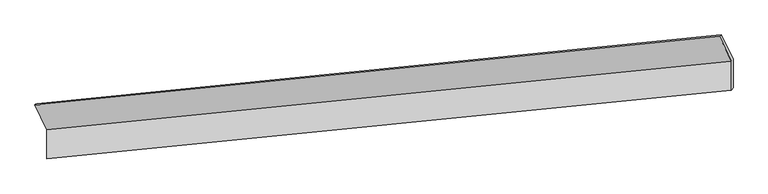
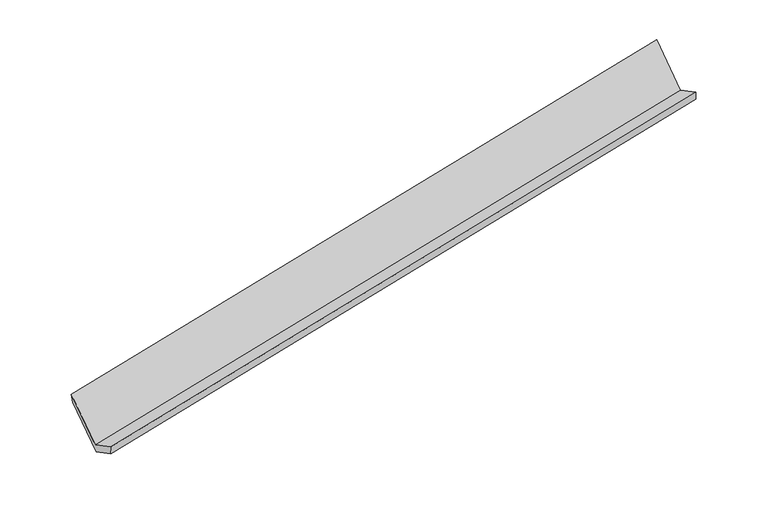
"""IFC4 building model written with IfcOpenShell, lengths in millimetres: proxy geometry."""

from ifc_helpers import new_model, si_unit, frame, origin, place, context, project, spatial, source, transform, mapped, element, save
from ifc_brep_helpers import plane_surface, spline_surface, advanced_brep


def generic_models_ce6abd49(model_context):
    return source(origin(), model_context, "Body", "AdvancedBrep", [
        advanced_brep(
        [(-7472.1277066, -1961.6357005, 806.6177456), (-7471.4008566, -2358.3488158, 1013.001505), (1833.8203261, -1430.7013227, 2817.5335066), (1833.0934761, -1033.9882075, 2611.1497472), (-7448.4996474, -2329.7741241, 879.7251106), (1856.7052814, -1393.2553255, 2679.6419551), (-7449.2043627, -1945.1420689, 679.6263326), (1856.0005661, -1008.6232703, 2479.5431771), (-7607.3866941, -1612.558643, 1319.4789166), (1697.8182347, -676.0398444, 3119.3957611), (-7633.1354809, -1623.1116903, 1457.8993363), (1672.0857017, -695.4641972, 3262.4313379)],
        [
            (0, 1),
            (1, 2),
            (2, 3),
            (3, 0),
            (1, 4),
            (4, 5),
            (5, 2),
            (4, 6),
            (6, 7),
            (7, 5),
            (6, 8),
            (8, 9),
            (9, 7),
            (8, 10),
            (10, 11),
            (11, 9),
            (10, 0),
            (3, 11),
        ],
        [
            plane_surface(frame((-7471.7642816, -2159.9922582, 909.8096253), z_axis=(-0.2130423223590398, 0.45061406054635633, 0.8669255661945792), x_axis=(0.0016253830951001409, -0.8871305445986043, 0.4615157147595062))),
            spline_surface(1, 1, [[(-7471.4008566, -2358.3488158, 1013.001505), (1833.8203261, -1430.7013227, 2817.5335066)], [(-7448.4996474, -2329.7741241, 879.7251106), (1856.7052814, -1393.2553255, 2679.6419551)]], [2, 2], [2, 2], [0.0, 1.0], [0.0, 1.0]),
            plane_surface(frame((-7448.8520051, -2137.4580965, 779.6757216), z_axis=(0.2130423223590383, -0.45061406054632025, -0.8669255661945984), x_axis=(-0.0016253830953263336, 0.8871305445986005, -0.4615157147595127))),
            plane_surface(frame((-7528.2955284, -1778.8503559, 999.5526246), z_axis=(-8.696449287130814e-05, 0.8872874056933111, -0.46121692524799074), x_axis=(-0.214260397433459, 0.4504893584208905, 0.866690152269651))),
            spline_surface(1, 1, [[(-7607.3866941, -1612.558643, 1319.4789166), (1697.8182347, -676.0398444, 3119.3957611)], [(-7633.1354809, -1623.1116903, 1457.8993363), (1672.0857017, -695.4641972, 3262.4313379)]], [2, 2], [2, 2], [0.0, 1.0], [0.0, 1.0]),
            plane_surface(frame((-7552.6315937, -1792.3736954, 1132.2585409), z_axis=(-0.0009386444950244266, -0.8873907566155024, 0.46101709731839474), x_axis=(0.21426039743345837, -0.45048935842088916, -0.8666901522696518))),
            plane_surface(frame((1791.5872644, -1039.6786946, 2828.2825808), z_axis=(0.9767752250243903, 0.10029324398911439, 0.18934472527295845), x_axis=(-0.1754999484897439, -0.13247716126069703, 0.9755252789263867))),
            plane_surface(frame((-7513.6257914, -1971.7618404, 1026.0581578), z_axis=(-0.9767752250243913, -0.10029324398908251, -0.18934472527296897), x_axis=(-0.21426039743345301, 0.4504893584208885, 0.8666901522696534))),
        ],
        [
            (0, [[1, 2, 3, 4]]),
            (1, [[5, 6, 7, -2]]),
            (2, [[8, 9, 10, -6]]),
            (3, [[11, 12, 13, -9]]),
            (4, [[14, 15, 16, -12]]),
            (5, [[17, -4, 18, -15]]),
            (6, [[-16, -18, -3, -7, -10, -13]]),
            (7, [[-17, -14, -11, -8, -5, -1]]),
        ],
    ),
    ])


if __name__ == "__main__":
    model = new_model("IFC4")
    model_context = context("Model", 3, world=origin())
    ifc_project = project(units=[si_unit("LENGTHUNIT", "METRE", prefix="MILLI")], contexts=[model_context])
    site = spatial("IfcSite", under=ifc_project)
    building = spatial("IfcBuilding", under=site)
    placement = place(None, origin())
    generic_models_shape = generic_models_ce6abd49(model_context)
    element("IfcBuildingElementProxy", 1, Name="Generic Models", at=placement, inside=building, context=model_context, shape_type="MappedRepresentation", body=[
        mapped(generic_models_shape, transform((0.0, 0.0, 0.0), x_axis=(1.0, 0.0, 0.0), y_axis=(0.0, 1.0, 0.0), z_axis=(0.0, 0.0, 1.0))),
    ])
    save(model, "model.ifc")
